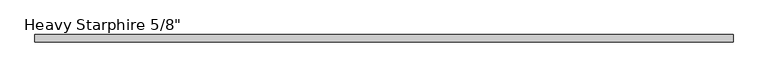
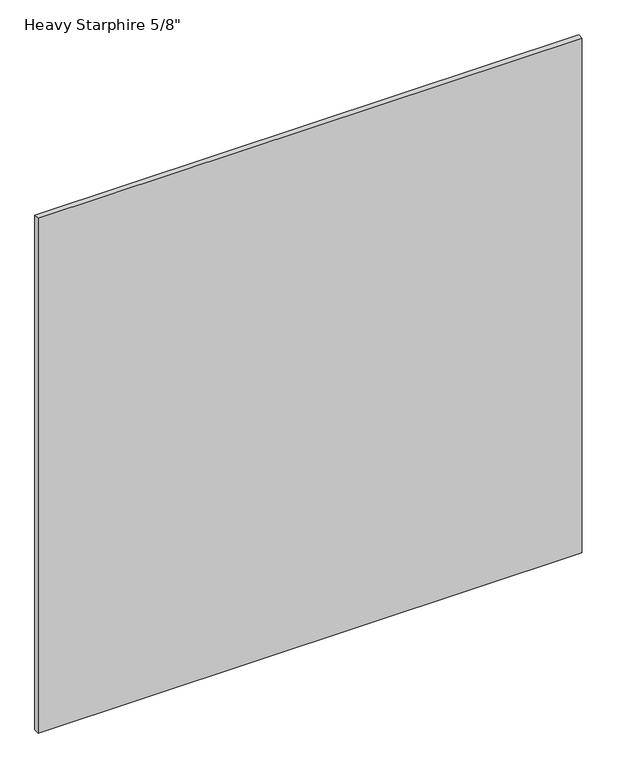
"""IFC4 building model written with IfcOpenShell, lengths in millimetres: plate geometry."""

import ifcopenshell
import ifcopenshell.guid

model = None  # the IFC model being written
_history = None  # IfcOwnerHistory: only IFC2X3 demands one
_inside = {}  # id of a spatial element -> (the spatial element, [elements in it])
_under = {}  # id of a project, library or spatial element -> (it, [spatial elements below it])
_declared = {}  # id of a project -> (the project, [libraries it declares])
_typed = {}  # id of a type object -> (the type object, [elements of that type])
_made_of = {}  # id of a material, layer set ... -> (it, [elements and type objects made of it])


def new_model(schema):
    """Start an empty IFC model of exactly this schema.

    Asked for "IFC4X3", IfcOpenShell would pick the latest addendum, in which some entities
    have other attributes; the version numbers below select the first issue.
    IFC2X3 requires an IfcOwnerHistory on every rooted entity: one is made here for all.
    """
    global model, _history
    if schema == "IFC4X3":
        model = ifcopenshell.file(schema_version=(4, 3, 0, 0))
    else:
        model = ifcopenshell.file(schema=schema)
    _inside.clear()
    _under.clear()
    _declared.clear()
    _typed.clear()
    _made_of.clear()
    _history = None
    if model.schema == "IFC2X3":
        org = make("IfcOrganization", Name="unknown")
        user = make(
            "IfcPersonAndOrganization",
            ThePerson=make("IfcPerson", FamilyName="unknown"),
            TheOrganization=org,
        )
        app = make(
            "IfcApplication",
            ApplicationDeveloper=org,
            Version="unknown",
            ApplicationFullName="unknown",
            ApplicationIdentifier="unknown",
        )
        _history = make(
            "IfcOwnerHistory",
            OwningUser=user,
            OwningApplication=app,
            ChangeAction="ADDED",
            CreationDate=0,
        )
    return model


def make(cls, **values):
    """One entity of the class cls with the attributes given. An attribute that is None is left unset."""
    return model.create_entity(
        cls, **{name: value for name, value in values.items() if value is not None}
    )


def rooted(cls, **values):
    """An entity with a GlobalId (a new one), such as an element, a storey or a relation."""
    return make(cls, GlobalId=ifcopenshell.guid.new(), OwnerHistory=_history, **values)


def si_unit(unit_type, name, prefix=None):
    """IfcSIUnit, for example si_unit("LENGTHUNIT", "METRE", prefix="MILLI")."""
    return make("IfcSIUnit", UnitType=unit_type, Prefix=prefix, Name=name)


def assignment(units):
    """IfcUnitAssignment: the units of a project."""
    return None if units is None else make("IfcUnitAssignment", Units=units)


def point(xyz):
    """IfcCartesianPoint."""
    return None if xyz is None else make("IfcCartesianPoint", Coordinates=xyz)


def direction(xyz):
    """IfcDirection."""
    return None if xyz is None else make("IfcDirection", DirectionRatios=xyz)


def frame(location, z_axis=None, x_axis=None):
    """IfcAxis2Placement3D, a coordinate frame: its origin and axes. An axis left out is left unset."""
    return make(
        "IfcAxis2Placement3D",
        Location=point(location),
        Axis=direction(z_axis),
        RefDirection=direction(x_axis),
    )


def origin():
    """The frame at (0, 0, 0) with its axes left unset."""
    return frame((0.0, 0.0, 0.0))


def origin_with_axes():
    """The frame at (0, 0, 0) with the z axis (0, 0, 1) and the x axis (1, 0, 0) written out."""
    return frame((0.0, 0.0, 0.0), z_axis=(0.0, 0.0, 1.0), x_axis=(1.0, 0.0, 0.0))


def place(relative_to, where):
    """IfcLocalPlacement: puts the frame where relative to a parent placement (None: the world)."""
    return make(
        "IfcLocalPlacement", PlacementRelTo=relative_to, RelativePlacement=where
    )


def context(
    kind, dimensions, precision=None, world=None, true_north=None, identifier=None
):
    """IfcGeometricRepresentationContext, for example the 3D "Model" context."""
    return make(
        "IfcGeometricRepresentationContext",
        ContextIdentifier=identifier,
        ContextType=kind,
        CoordinateSpaceDimension=dimensions,
        Precision=precision,
        WorldCoordinateSystem=world,
        TrueNorth=true_north,
    )


def project(units=None, contexts=None):
    """IfcProject with its units and contexts."""
    return rooted(
        "IfcProject",
        Name="project",
        RepresentationContexts=contexts,
        UnitsInContext=assignment(units),
    )


def spatial(cls, under=None, at=None, **own):
    """A site, building, storey or space (cls), placed at a placement, below another one or the project."""
    s = rooted(cls, ObjectPlacement=at, **own)
    if under is not None:
        _under.setdefault(under.id(), (under, []))[1].append(s)
    return s


def polyline(points):
    """IfcPolyline through the points."""
    return make("IfcPolyline", Points=[point(p) for p in points])


def outline(outer, holes=None, kind="AREA"):
    """IfcArbitraryClosedProfileDef: a profile drawn as a closed curve; with holes, ...WithVoids."""
    if holes is None:
        return make("IfcArbitraryClosedProfileDef", ProfileType=kind, OuterCurve=outer)
    return make(
        "IfcArbitraryProfileDefWithVoids",
        ProfileType=kind,
        OuterCurve=outer,
        InnerCurves=holes,
    )


def extrude(swept, where, along, depth):
    """IfcExtrudedAreaSolid: the profile swept, set in the frame where, extruded along a direction by depth."""
    return make(
        "IfcExtrudedAreaSolid",
        SweptArea=swept,
        Position=where,
        ExtrudedDirection=direction(along),
        Depth=depth,
    )


def shape(context_of_items, identifier, shape_type, items):
    """IfcShapeRepresentation: the items that make up one representation, for example the "Body"."""
    return make(
        "IfcShapeRepresentation",
        ContextOfItems=context_of_items,
        RepresentationIdentifier=identifier,
        RepresentationType=shape_type,
        Items=items,
    )


def source(mapping_origin, context_of_items, identifier, shape_type, items):
    """IfcRepresentationMap: a shape defined once, which mapped items show again and again."""
    return make(
        "IfcRepresentationMap",
        MappingOrigin=mapping_origin,
        MappedRepresentation=shape(context_of_items, identifier, shape_type, items),
    )


def transform(
    local_origin,
    x_axis=None,
    y_axis=None,
    z_axis=None,
    scale=None,
    scale2=None,
    scale3=None,
    uniform=True,
):
    """IfcCartesianTransformationOperator3D, or its non-uniform kind. x_axis, y_axis, z_axis: its Axis1, 2, 3."""
    if uniform:
        return make(
            "IfcCartesianTransformationOperator3D",
            Axis1=direction(x_axis),
            Axis2=direction(y_axis),
            LocalOrigin=point(local_origin),
            Scale=scale,
            Axis3=direction(z_axis),
        )
    return make(
        "IfcCartesianTransformationOperator3DnonUniform",
        Axis1=direction(x_axis),
        Axis2=direction(y_axis),
        LocalOrigin=point(local_origin),
        Scale=scale,
        Axis3=direction(z_axis),
        Scale2=scale2,
        Scale3=scale3,
    )


def mapped(mapping_source, mapping_target):
    """IfcMappedItem: shows the shape of a source again, moved by a transform."""
    return make(
        "IfcMappedItem", MappingSource=mapping_source, MappingTarget=mapping_target
    )


def made_of(thing, what):
    """Note that an element or type object is made of a material, layer set ...; save() writes the relation."""
    if what is not None:
        _made_of.setdefault(what.id(), (what, []))[1].append(thing)
    return thing


def element(
    cls,
    number,
    at=None,
    inside=None,
    cuts=None,
    type_object=None,
    material=None,
    context=None,
    identifier="Body",
    shape_type=None,
    held_by="IfcProductDefinitionShape",
    body=None,
    shapes=None,
    **own,
):
    """One element of the class cls, such as IfcWall. Its Tag is "e" and its number.

    at: its placement. inside: the storey or other place that contains it. cuts: it is an
    opening in that element (IfcRelVoidsElement). A single representation is given by context,
    identifier, shape_type and body (its items); several are given by shapes. held_by: the class
    of the entity that holds the representations. save() writes the other relations.
    """
    e = rooted(cls, Tag="e%d" % number, ObjectPlacement=at, **own)
    if body is not None:
        shapes = [shape(context, identifier, shape_type, body)]
    if shapes is not None:
        e.Representation = make(held_by, Representations=shapes)
    if inside is not None:
        _inside.setdefault(inside.id(), (inside, []))[1].append(e)
    if cuts is not None:
        rooted(
            "IfcRelVoidsElement", RelatingBuildingElement=cuts, RelatedOpeningElement=e
        )
    if type_object is not None:
        _typed.setdefault(type_object.id(), (type_object, []))[1].append(e)
    return made_of(e, material)


def aggregate(whole, parts):
    """IfcRelAggregates: a whole, such as a stair, and the parts it consists of."""
    return rooted("IfcRelAggregates", RelatingObject=whole, RelatedObjects=parts)


def save(model, path):
    """Write the relations noted so far, then the file.

    IfcRelAggregates (storeys below a building ...), IfcRelContainedInSpatialStructure (elements
    in a storey), IfcRelDefinesByType, IfcRelAssociatesMaterial and IfcRelDeclares: one each for
    every whole, place, type object, material and project.
    """
    for whole, parts in _under.values():
        aggregate(whole, parts)
    for where, things in _inside.values():
        rooted(
            "IfcRelContainedInSpatialStructure",
            RelatedElements=things,
            RelatingStructure=where,
        )
    for kind, things in _typed.values():
        rooted("IfcRelDefinesByType", RelatedObjects=things, RelatingType=kind)
    for what, things in _made_of.values():
        rooted("IfcRelAssociatesMaterial", RelatedObjects=things, RelatingMaterial=what)
    for by, libraries in _declared.values():
        rooted("IfcRelDeclares", RelatingContext=by, RelatedDefinitions=libraries)
    model.write(path)


def plate_074aa27d(model_context):
    return source(origin(), model_context, "Body", "SweptSolid", [
        extrude(outline(polyline([(762.0, 7.9375), (762.0, -7.9375), (-762.0, -7.9375), (-762.0, 7.9375), (762.0, 7.9375)])), origin_with_axes(), (0.0, 0.0, 1.0), 1524.0),
    ])


if __name__ == "__main__":
    model = new_model("IFC4")
    model_context = context("Model", 3, world=origin())
    ifc_project = project(units=[si_unit("LENGTHUNIT", "METRE", prefix="MILLI")], contexts=[model_context])
    site = spatial("IfcSite", under=ifc_project)
    building = spatial("IfcBuilding", under=site)
    placement = place(None, origin())
    plate_shape = plate_074aa27d(model_context)
    element("IfcPlate", 1, ObjectType="Heavy Starphire 5/8\"", at=placement, inside=building, context=model_context, shape_type="MappedRepresentation", body=[
        mapped(plate_shape, transform((0.0, 0.0, 0.0), x_axis=(1.0, 0.0, 0.0), y_axis=(0.0, 1.0, 0.0), z_axis=(0.0, 0.0, 1.0))),
    ])
    save(model, "model.ifc")
